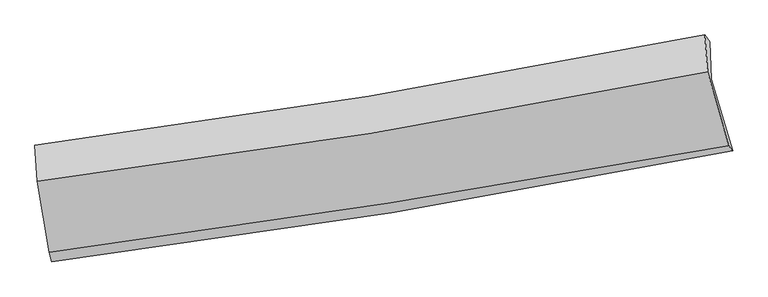
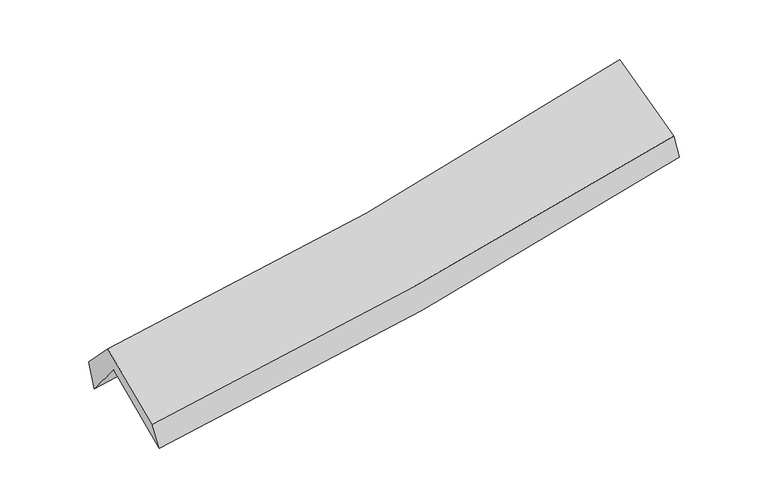
"""IFC4 building model written with IfcOpenShell, lengths in millimetres: proxy geometry."""

import ifcopenshell
import ifcopenshell.guid

model = None  # the IFC model being written
_history = None  # IfcOwnerHistory: only IFC2X3 demands one
_inside = {}  # id of a spatial element -> (the spatial element, [elements in it])
_under = {}  # id of a project, library or spatial element -> (it, [spatial elements below it])
_declared = {}  # id of a project -> (the project, [libraries it declares])
_typed = {}  # id of a type object -> (the type object, [elements of that type])
_made_of = {}  # id of a material, layer set ... -> (it, [elements and type objects made of it])


def new_model(schema):
    """Start an empty IFC model of exactly this schema.

    Asked for "IFC4X3", IfcOpenShell would pick the latest addendum, in which some entities
    have other attributes; the version numbers below select the first issue.
    IFC2X3 requires an IfcOwnerHistory on every rooted entity: one is made here for all.
    """
    global model, _history
    if schema == "IFC4X3":
        model = ifcopenshell.file(schema_version=(4, 3, 0, 0))
    else:
        model = ifcopenshell.file(schema=schema)
    _inside.clear()
    _under.clear()
    _declared.clear()
    _typed.clear()
    _made_of.clear()
    _history = None
    if model.schema == "IFC2X3":
        org = make("IfcOrganization", Name="unknown")
        user = make(
            "IfcPersonAndOrganization",
            ThePerson=make("IfcPerson", FamilyName="unknown"),
            TheOrganization=org,
        )
        app = make(
            "IfcApplication",
            ApplicationDeveloper=org,
            Version="unknown",
            ApplicationFullName="unknown",
            ApplicationIdentifier="unknown",
        )
        _history = make(
            "IfcOwnerHistory",
            OwningUser=user,
            OwningApplication=app,
            ChangeAction="ADDED",
            CreationDate=0,
        )
    return model


def make(cls, **values):
    """One entity of the class cls with the attributes given. An attribute that is None is left unset."""
    return model.create_entity(
        cls, **{name: value for name, value in values.items() if value is not None}
    )


def rooted(cls, **values):
    """An entity with a GlobalId (a new one), such as an element, a storey or a relation."""
    return make(cls, GlobalId=ifcopenshell.guid.new(), OwnerHistory=_history, **values)


def si_unit(unit_type, name, prefix=None):
    """IfcSIUnit, for example si_unit("LENGTHUNIT", "METRE", prefix="MILLI")."""
    return make("IfcSIUnit", UnitType=unit_type, Prefix=prefix, Name=name)


def assignment(units):
    """IfcUnitAssignment: the units of a project."""
    return None if units is None else make("IfcUnitAssignment", Units=units)


def point(xyz):
    """IfcCartesianPoint."""
    return None if xyz is None else make("IfcCartesianPoint", Coordinates=xyz)


def direction(xyz):
    """IfcDirection."""
    return None if xyz is None else make("IfcDirection", DirectionRatios=xyz)


def frame(location, z_axis=None, x_axis=None):
    """IfcAxis2Placement3D, a coordinate frame: its origin and axes. An axis left out is left unset."""
    return make(
        "IfcAxis2Placement3D",
        Location=point(location),
        Axis=direction(z_axis),
        RefDirection=direction(x_axis),
    )


def origin():
    """The frame at (0, 0, 0) with its axes left unset."""
    return frame((0.0, 0.0, 0.0))


def place(relative_to, where):
    """IfcLocalPlacement: puts the frame where relative to a parent placement (None: the world)."""
    return make(
        "IfcLocalPlacement", PlacementRelTo=relative_to, RelativePlacement=where
    )


def context(
    kind, dimensions, precision=None, world=None, true_north=None, identifier=None
):
    """IfcGeometricRepresentationContext, for example the 3D "Model" context."""
    return make(
        "IfcGeometricRepresentationContext",
        ContextIdentifier=identifier,
        ContextType=kind,
        CoordinateSpaceDimension=dimensions,
        Precision=precision,
        WorldCoordinateSystem=world,
        TrueNorth=true_north,
    )


def project(units=None, contexts=None):
    """IfcProject with its units and contexts."""
    return rooted(
        "IfcProject",
        Name="project",
        RepresentationContexts=contexts,
        UnitsInContext=assignment(units),
    )


def spatial(cls, under=None, at=None, **own):
    """A site, building, storey or space (cls), placed at a placement, below another one or the project."""
    s = rooted(cls, ObjectPlacement=at, **own)
    if under is not None:
        _under.setdefault(under.id(), (under, []))[1].append(s)
    return s


def shape(context_of_items, identifier, shape_type, items):
    """IfcShapeRepresentation: the items that make up one representation, for example the "Body"."""
    return make(
        "IfcShapeRepresentation",
        ContextOfItems=context_of_items,
        RepresentationIdentifier=identifier,
        RepresentationType=shape_type,
        Items=items,
    )


def source(mapping_origin, context_of_items, identifier, shape_type, items):
    """IfcRepresentationMap: a shape defined once, which mapped items show again and again."""
    return make(
        "IfcRepresentationMap",
        MappingOrigin=mapping_origin,
        MappedRepresentation=shape(context_of_items, identifier, shape_type, items),
    )


def transform(
    local_origin,
    x_axis=None,
    y_axis=None,
    z_axis=None,
    scale=None,
    scale2=None,
    scale3=None,
    uniform=True,
):
    """IfcCartesianTransformationOperator3D, or its non-uniform kind. x_axis, y_axis, z_axis: its Axis1, 2, 3."""
    if uniform:
        return make(
            "IfcCartesianTransformationOperator3D",
            Axis1=direction(x_axis),
            Axis2=direction(y_axis),
            LocalOrigin=point(local_origin),
            Scale=scale,
            Axis3=direction(z_axis),
        )
    return make(
        "IfcCartesianTransformationOperator3DnonUniform",
        Axis1=direction(x_axis),
        Axis2=direction(y_axis),
        LocalOrigin=point(local_origin),
        Scale=scale,
        Axis3=direction(z_axis),
        Scale2=scale2,
        Scale3=scale3,
    )


def mapped(mapping_source, mapping_target):
    """IfcMappedItem: shows the shape of a source again, moved by a transform."""
    return make(
        "IfcMappedItem", MappingSource=mapping_source, MappingTarget=mapping_target
    )


def made_of(thing, what):
    """Note that an element or type object is made of a material, layer set ...; save() writes the relation."""
    if what is not None:
        _made_of.setdefault(what.id(), (what, []))[1].append(thing)
    return thing


def element(
    cls,
    number,
    at=None,
    inside=None,
    cuts=None,
    type_object=None,
    material=None,
    context=None,
    identifier="Body",
    shape_type=None,
    held_by="IfcProductDefinitionShape",
    body=None,
    shapes=None,
    **own,
):
    """One element of the class cls, such as IfcWall. Its Tag is "e" and its number.

    at: its placement. inside: the storey or other place that contains it. cuts: it is an
    opening in that element (IfcRelVoidsElement). A single representation is given by context,
    identifier, shape_type and body (its items); several are given by shapes. held_by: the class
    of the entity that holds the representations. save() writes the other relations.
    """
    e = rooted(cls, Tag="e%d" % number, ObjectPlacement=at, **own)
    if body is not None:
        shapes = [shape(context, identifier, shape_type, body)]
    if shapes is not None:
        e.Representation = make(held_by, Representations=shapes)
    if inside is not None:
        _inside.setdefault(inside.id(), (inside, []))[1].append(e)
    if cuts is not None:
        rooted(
            "IfcRelVoidsElement", RelatingBuildingElement=cuts, RelatedOpeningElement=e
        )
    if type_object is not None:
        _typed.setdefault(type_object.id(), (type_object, []))[1].append(e)
    return made_of(e, material)


def aggregate(whole, parts):
    """IfcRelAggregates: a whole, such as a stair, and the parts it consists of."""
    return rooted("IfcRelAggregates", RelatingObject=whole, RelatedObjects=parts)


def save(model, path):
    """Write the relations noted so far, then the file.

    IfcRelAggregates (storeys below a building ...), IfcRelContainedInSpatialStructure (elements
    in a storey), IfcRelDefinesByType, IfcRelAssociatesMaterial and IfcRelDeclares: one each for
    every whole, place, type object, material and project.
    """
    for whole, parts in _under.values():
        aggregate(whole, parts)
    for where, things in _inside.values():
        rooted(
            "IfcRelContainedInSpatialStructure",
            RelatedElements=things,
            RelatingStructure=where,
        )
    for kind, things in _typed.values():
        rooted("IfcRelDefinesByType", RelatedObjects=things, RelatingType=kind)
    for what, things in _made_of.values():
        rooted("IfcRelAssociatesMaterial", RelatedObjects=things, RelatingMaterial=what)
    for by, libraries in _declared.values():
        rooted("IfcRelDeclares", RelatingContext=by, RelatedDefinitions=libraries)
    model.write(path)


def plane_surface(at):
    """IfcPlane: the flat surface through the origin of the frame at, square to its z axis."""
    return make("IfcPlane", Position=at)


def spline_curve(degree, points, multiplicities, knots, weights=None):
    """IfcBSplineCurveWithKnots; with weights, IfcRationalBSplineCurveWithKnots."""
    own = dict(
        Degree=degree,
        ControlPointsList=[point(p) for p in points],
        CurveForm="UNSPECIFIED",
        ClosedCurve=False,
        SelfIntersect=False,
        KnotMultiplicities=multiplicities,
        Knots=knots,
        KnotSpec="UNSPECIFIED",
    )
    if weights is None:
        return make("IfcBSplineCurveWithKnots", **own)
    return make("IfcRationalBSplineCurveWithKnots", WeightsData=weights, **own)


def spline_surface(u_degree, v_degree, points, u_multiplicities, v_multiplicities, u_knots, v_knots, weights=None):
    """IfcBSplineSurfaceWithKnots; with weights, IfcRationalBSplineSurfaceWithKnots. points: one row for each step in u."""
    own = dict(
        UDegree=u_degree,
        VDegree=v_degree,
        ControlPointsList=[[point(p) for p in row] for row in points],
        SurfaceForm="UNSPECIFIED",
        UClosed=False,
        VClosed=False,
        SelfIntersect=False,
        UMultiplicities=u_multiplicities,
        VMultiplicities=v_multiplicities,
        UKnots=u_knots,
        VKnots=v_knots,
        KnotSpec="UNSPECIFIED",
    )
    if weights is None:
        return make("IfcBSplineSurfaceWithKnots", **own)
    return make("IfcRationalBSplineSurfaceWithKnots", WeightsData=weights, **own)


def advanced_brep(points, edges, surfaces, faces):
    """IfcAdvancedBrep: a solid bounded by faces that lie on surfaces and meet in shared edges.

    An edge is (start, end): straight between two places in points (the first is 0);
    or (start, end, curve); or (start, end, curve, False) where it runs against its curve.
    A face is (place in surfaces, loops), or (place, loops, False) where it looks against
    its surface's normal. A loop lists edges by number (the first is 1), with a minus sign
    where the edge is run from its end to its start. The first loop is the outer one.
    """
    corners = [point(p) for p in points]
    vertices = [make("IfcVertexPoint", VertexGeometry=c) for c in corners]
    made = []
    for start, end, *more in edges:
        made.append(
            make(
                "IfcEdgeCurve",
                EdgeStart=vertices[start],
                EdgeEnd=vertices[end],
                EdgeGeometry=more[0] if more else make("IfcPolyline", Points=[corners[start], corners[end]]),
                SameSense=more[1] if len(more) > 1 else True,
            )
        )
    hull = []
    for where, loops, *sense in faces:
        bounds = []
        for j, loop in enumerate(loops):
            ring = [make("IfcOrientedEdge", EdgeElement=made[abs(k) - 1], Orientation=k > 0) for k in loop]
            bounds.append(
                make(
                    "IfcFaceOuterBound" if j == 0 else "IfcFaceBound",
                    Bound=make("IfcEdgeLoop", EdgeList=ring),
                    Orientation=True,
                )
            )
        hull.append(make("IfcAdvancedFace", Bounds=bounds, FaceSurface=surfaces[where], SameSense=sense[0] if sense else True))
    return make("IfcAdvancedBrep", Outer=make("IfcClosedShell", CfsFaces=hull))


def generic_models_bf2beb5d(model_context):
    return source(origin(), model_context, "Body", "AdvancedBrep", [
        advanced_brep(
        [(-2290.5719983, -2472.6606367, 1504.5005627), (-2377.0458061, -1969.1817157, 1915.5721394), (2320.8912231, -1197.7976266, 2355.7915708), (2468.2607586, -1698.0774381, 1925.646886), (-2390.6637237, -1707.7269306, 1598.5278212), (2307.2873551, -936.6125851, 2039.0743482), (-2408.9259973, -1660.9660017, 1810.1823857), (2274.6397376, -888.7124742, 2238.6891997), (-2393.4007058, -1910.9415378, 2070.8274237), (2293.0249963, -1145.1752378, 2506.7140232), (-2309.333084, -2405.7279927, 1682.3376704), (2441.7520027, -1664.6052923, 2096.7142738)],
        [
            (0, 1),
            (1, 2, spline_curve(3, [(-2377.0458061, -1969.1817157, 1915.5721394), (-1594.363652409, -1857.890366275, 1965.320984838), (-814.110941067, -1738.443996486, 2026.559988325), (751.933455959, -1481.535455012, 2172.990547312), (1537.659754047, -1343.85379502, 2258.491354086), (2320.8912231, -1197.7976266, 2355.7915708)], [4, 2, 4], [0.0, 7.840835092949111, 15.786485628970507])),
            (2, 3),
            (3, 0, spline_curve(3, [(2468.2607586, -1698.0774381, 1925.646886), (1677.088252256, -1855.744998557, 1828.762447168), (882.275543326, -1999.46395173, 1745.078750724), (-704.097448549, -2257.29277112, 1605.042622457), (-1495.562325291, -2371.768217555, 1548.344210993), (-2290.5719983, -2472.6606367, 1504.5005627)], [4, 2, 4], [0.0, 7.945650536021396, 15.786485628970507])),
            (1, 4),
            (4, 5, spline_curve(3, [(-2390.6637237, -1707.7269306, 1598.5278212), (-1606.140515383, -1606.014910251, 1644.71006655), (-824.960009155, -1491.412187355, 1704.180826599), (741.113650942, -1234.721019006, 1850.672015596), (1525.91683775, -1092.28562651, 1938.05009746), (2307.2873551, -936.6125851, 2039.0743482)], [4, 2, 4], [0.0, 7.7930319961703445, 15.690240408739196])),
            (5, 2),
            (4, 6),
            (6, 7, spline_curve(3, [(-2408.9259973, -1660.9660017, 1810.1823857), (-1626.278967424, -1560.502557879, 1848.904542429), (-847.225692037, -1446.434592917, 1903.630462151), (714.059610397, -1189.382909379, 2046.035333863), (1496.194913251, -1046.033031672, 2134.145018785), (2274.6397376, -888.7124742, 2238.6891997)], [4, 2, 4], [0.0, 7.781763422018013, 15.66755262334313])),
            (7, 5),
            (6, 8),
            (8, 9, spline_curve(3, [(-2393.4007058, -1910.9415378, 2070.8274237), (-1610.108499151, -1813.901658449, 2113.201426714), (-830.495316836, -1702.09028855, 2170.372235597), (731.745602681, -1447.232422547, 2315.269520363), (1514.274321393, -1303.788358887, 2403.394244729), (2293.0249963, -1145.1752378, 2506.7140232)], [4, 2, 4], [0.0, 7.771862005193159, 15.64761742861463])),
            (9, 7),
            (8, 10),
            (10, 11, spline_curve(3, [(-2309.333084, -2405.7279927, 1682.3376704), (-1517.887486526, -2302.01576691, 1729.604138697), (-728.853573359, -2188.872526737, 1787.468646081), (854.906364588, -1942.085457362, 1925.308939706), (1649.567480561, -1808.187797688, 2005.569966758), (2441.7520027, -1664.6052923, 2096.7142738)], [4, 2, 4], [0.0, 7.819857310159923, 15.744249634640392])),
            (11, 9),
            (10, 0),
            (3, 11),
        ],
        [
            spline_surface(3, 3, [[(-2290.5719983, -2472.6606367, 1504.5005627), (-1495.56232527, -2371.768217514, 1548.344210982), (-704.09744862, -2257.292771091, 1605.042622381), (882.275543399, -1999.463951759, 1745.0787508), (1677.088252354, -1855.744998644, 1828.762447174), (2468.2607586, -1698.0774381, 1925.646886)], [(-2319.396600879, -2304.834329711, 1641.52442161), (-1528.496101004, -2200.475600425, 1687.336468959), (-740.768612765, -2084.343179581, 1745.548411068), (838.828180885, -1826.821119511, 1887.716016271), (1630.612086279, -1685.11459742, 1972.005416172), (2419.137580102, -1531.317500918, 2069.028447618)], [(-2348.221203521, -2137.008022689, 1778.54828049), (-1561.4298768, -2029.182983305, 1826.328726908), (-777.439776865, -1911.393588031, 1886.054199745), (795.380818417, -1654.178287224, 2030.353281733), (1584.135920198, -1514.484196243, 2115.248385116), (2370.014401598, -1364.557563782, 2212.410009182)], [(-2377.0458061, -1969.1817157, 1915.5721394), (-1594.363652534, -1857.890366216, 1965.320984886), (-814.110941011, -1738.443996521, 2026.559988432), (751.933455903, -1481.535454976, 2172.990547204), (1537.659754123, -1343.853795018, 2258.491354114), (2320.8912231, -1197.7976266, 2355.7915708)]], [4, 4], [4, 2, 4], [0.0, 2.233895910980331], [0.0, 7.840835092949111, 15.786485628970507]),
            spline_surface(3, 3, [[(-2377.0458061, -1969.1817157, 1915.5721394), (-1594.363652534, -1857.890366216, 1965.320984886), (-814.110941011, -1738.443996521, 2026.559988432), (751.933455903, -1481.535454976, 2172.990547204), (1537.659754123, -1343.853795018, 2258.491354114), (2320.8912231, -1197.7976266, 2355.7915708)], [(-2381.585111986, -1882.030120663, 1809.890700008), (-1598.289273466, -1773.931880869, 1858.450678742), (-817.727297062, -1656.100060165, 1919.100267864), (748.326854233, -1399.263976286, 2065.551036632), (1533.745448644, -1259.997738854, 2151.677601913), (2316.356600429, -1110.735946111, 2250.21916325)], [(-2386.124417814, -1794.878525637, 1704.209260592), (-1602.214894339, -1689.973395534, 1751.580372572), (-821.343653085, -1573.756123809, 1811.640547285), (744.720252592, -1316.992497597, 1958.111526049), (1529.831143179, -1176.141682657, 2044.863849761), (2311.821977771, -1023.674265589, 2144.64675575)], [(-2390.6637237, -1707.7269306, 1598.5278212), (-1606.140515271, -1606.014910188, 1644.710066427), (-824.960009136, -1491.412187453, 1704.180826717), (741.113650922, -1234.721018907, 1850.672015476), (1525.9168377, -1092.285626493, 1938.05009756), (2307.2873551, -936.6125851, 2039.0743482)]], [4, 4], [4, 2, 4], [0.0, 1.3326688326815341], [0.0, 7.7930319961703445, 15.690240408739196]),
            spline_surface(3, 3, [[(-2390.6637237, -1707.7269306, 1598.5278212), (-1606.140515271, -1606.014910188, 1644.710066427), (-824.960009136, -1491.412187453, 1704.180826717), (741.113650922, -1234.721018907, 1850.672015476), (1525.9168377, -1092.285626493, 1938.05009756), (2307.2873551, -936.6125851, 2039.0743482)], [(-2396.751148216, -1692.139954281, 1669.079342702), (-1612.853332678, -1590.844126082, 1712.774891806), (-832.381903415, -1476.419655989, 1770.66403855), (732.095637398, -1219.608315697, 1915.793121586), (1516.00952949, -1076.868094874, 2003.415071323), (2296.404815913, -920.64588148, 2105.612632028)], [(-2402.838572784, -1676.552978019, 1739.630864198), (-1619.566150139, -1575.673342033, 1780.839717177), (-839.803797702, -1461.427124503, 1837.147250379), (723.077623865, -1204.495612466, 1980.914227691), (1506.10222134, -1061.450563215, 2068.780045101), (2285.522276787, -904.67917782, 2172.150915872)], [(-2408.9259973, -1660.9660017, 1810.1823857), (-1626.278967546, -1560.502557927, 1848.904542555), (-847.225691981, -1446.434593039, 1903.630462212), (714.059610341, -1189.382909256, 2046.0353338), (1496.19491313, -1046.033031596, 2134.145018864), (2274.6397376, -888.7124742, 2238.6891997)]], [4, 4], [4, 2, 4], [0.0, 0.6692260851830886], [0.0, 7.781763422018013, 15.66755262334313]),
            spline_surface(3, 3, [[(-2408.9259973, -1660.9660017, 1810.1823857), (-1626.278967546, -1560.502557927, 1848.904542555), (-847.225691981, -1446.434593039, 1903.630462212), (714.059610341, -1189.382909256, 2046.0353338), (1496.19491313, -1046.033031596, 2134.145018864), (2274.6397376, -888.7124742, 2238.6891997)], [(-2403.750900131, -1744.291180395, 1897.064065007), (-1620.888811399, -1644.968924762, 1937.003503938), (-841.648900302, -1531.653158238, 1992.544386685), (719.954941154, -1275.332746965, 2135.780062665), (1502.221382544, -1131.951473992, 2223.894760822), (2280.768157167, -974.200062046, 2328.030807556)], [(-2398.575802969, -1827.616359105, 1983.945744393), (-1615.49865526, -1729.435291611, 2025.102465401), (-836.072108619, -1616.871723474, 2081.458311125), (725.850271973, -1361.282584712, 2225.524791497), (1508.247851959, -1217.86991645, 2313.644502711), (2286.896576733, -1059.687649954, 2417.372415344)], [(-2393.4007058, -1910.9415378, 2070.8274237), (-1610.108499113, -1813.901658446, 2113.201426783), (-830.49531694, -1702.090288674, 2170.372235598), (731.745602786, -1447.232422421, 2315.269520362), (1514.274321373, -1303.788358845, 2403.394244669), (2293.0249963, -1145.1752378, 2506.7140232)]], [4, 4], [4, 2, 4], [0.0, 1.2190074413698255], [0.0, 7.771862005193159, 15.64761742861463]),
            spline_surface(3, 3, [[(-2393.4007058, -1910.9415378, 2070.8274237), (-1610.108499113, -1813.901658446, 2113.201426783), (-830.49531694, -1702.090288674, 2170.372235598), (731.745602786, -1447.232422421, 2315.269520362), (1514.274321373, -1303.788358845, 2403.394244669), (2293.0249963, -1145.1752378, 2506.7140232)], [(-2365.378165199, -2075.870356109, 1941.330839277), (-1579.368161541, -1976.606361286, 1985.335664056), (-796.614735765, -1864.351034648, 2042.737705741), (772.799190094, -1612.183434074, 2185.282660142), (1559.372041143, -1471.921505097, 2270.786152001), (2342.6006651, -1318.318589308, 2370.047440045)], [(-2337.355624601, -2240.799174391, 1811.834254823), (-1548.627823973, -2139.311064099, 1857.469901297), (-762.734154621, -2026.611780683, 1915.103175913), (813.852777369, -1777.134445788, 2055.295799951), (1604.469760913, -1640.054651325, 2138.178059397), (2392.1763339, -1491.461940792, 2233.380856955)], [(-2309.333084, -2405.7279927, 1682.3376704), (-1517.887486401, -2302.015766939, 1729.60413857), (-728.853573446, -2188.872526658, 1787.468646057), (854.906364676, -1942.085457442, 1925.308939731), (1649.567480684, -1808.187797576, 2005.569966729), (2441.7520027, -1664.6052923, 2096.7142738)]], [4, 4], [4, 2, 4], [0.0, 2.082720697752703], [0.0, 7.819857310159923, 15.744249634640392]),
            spline_surface(3, 3, [[(-2309.333084, -2405.7279927, 1682.3376704), (-1517.887486401, -2302.015766939, 1729.60413857), (-728.853573446, -2188.872526658, 1787.468646057), (854.906364676, -1942.085457442, 1925.308939731), (1649.567480684, -1808.187797576, 2005.569966729), (2441.7520027, -1664.6052923, 2096.7142738)], [(-2303.07938879, -2428.038874042, 1623.058634496), (-1510.445766047, -2325.266583805, 1669.184162703), (-720.601531825, -2211.679274815, 1726.659971488), (864.029424263, -1961.211622227, 1865.232210077), (1658.741071262, -1824.040197936, 1946.634126879), (2450.588254689, -1675.762674237, 2039.691811202)], [(-2296.82569351, -2450.349755358, 1563.779598604), (-1503.004045624, -2348.517400647, 1608.764186848), (-712.349490241, -2234.486022934, 1665.85129695), (873.152483812, -1980.337786974, 1805.155480454), (1667.914661775, -1839.892598284, 1887.698287024), (2459.424506611, -1686.920056163, 1982.669348598)], [(-2290.5719983, -2472.6606367, 1504.5005627), (-1495.56232527, -2371.768217514, 1548.344210982), (-704.09744862, -2257.292771091, 1605.042622381), (882.275543399, -1999.463951759, 1745.0787508), (1677.088252354, -1855.744998644, 1828.762447174), (2468.2607586, -1698.0774381, 1925.646886)]], [4, 4], [4, 2, 4], [0.0, 0.6353462079890265], [0.0, 7.877669200078019, 15.860646237624216]),
            plane_surface(frame((2350.9760122, -1255.1634423, 2193.7717169), z_axis=(0.9752894515658636, 0.18917716474474938, 0.1141161075549606), x_axis=(0.2192795487987807, -0.7658352759541641, -0.6044938457774509))),
            plane_surface(frame((-2361.6568858, -2021.2008025, 1763.6580005), z_axis=(-0.9907522161968685, -0.12245768060734342, -0.05843083570567501), x_axis=(-0.0982565657914789, 0.3505432399040267, 0.9313780565572998))),
        ],
        [
            (0, [[1, 2, 3, 4]]),
            (1, [[5, 6, 7, -2]]),
            (2, [[8, 9, 10, -6]]),
            (3, [[11, 12, 13, -9]]),
            (4, [[14, 15, 16, -12]]),
            (5, [[17, -4, 18, -15]]),
            (6, [[-16, -18, -3, -7, -10, -13]]),
            (7, [[-17, -14, -11, -8, -5, -1]]),
        ],
    ),
    ])


if __name__ == "__main__":
    model = new_model("IFC4")
    model_context = context("Model", 3, world=origin())
    ifc_project = project(units=[si_unit("LENGTHUNIT", "METRE", prefix="MILLI")], contexts=[model_context])
    site = spatial("IfcSite", under=ifc_project)
    building = spatial("IfcBuilding", under=site)
    placement = place(None, origin())
    generic_models_shape = generic_models_bf2beb5d(model_context)
    element("IfcBuildingElementProxy", 1, Name="Generic Models", at=placement, inside=building, context=model_context, shape_type="MappedRepresentation", body=[
        mapped(generic_models_shape, transform((0.0, 0.0, 0.0), x_axis=(1.0, 0.0, 0.0), y_axis=(0.0, 1.0, 0.0), z_axis=(0.0, 0.0, 1.0))),
    ])
    save(model, "model.ifc")
